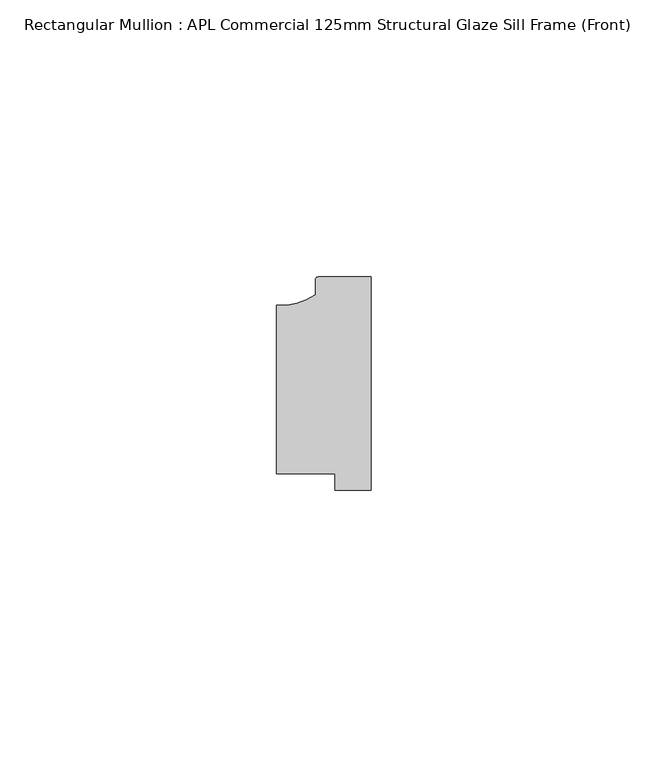
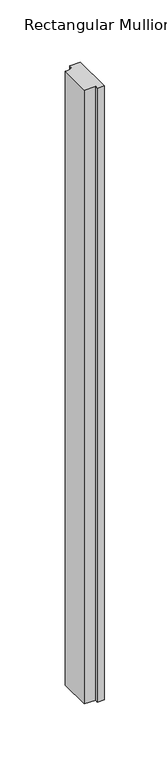
"""IFC4 building model written with IfcOpenShell, lengths in millimetres: member geometry, Rectangular Mullion : APL Commercial 125mm Structural Glaze Sill Frame (Front)."""

import ifcopenshell
import ifcopenshell.guid

model = None  # the IFC model being written
_history = None  # IfcOwnerHistory: only IFC2X3 demands one
_inside = {}  # id of a spatial element -> (the spatial element, [elements in it])
_under = {}  # id of a project, library or spatial element -> (it, [spatial elements below it])
_declared = {}  # id of a project -> (the project, [libraries it declares])
_typed = {}  # id of a type object -> (the type object, [elements of that type])
_made_of = {}  # id of a material, layer set ... -> (it, [elements and type objects made of it])


def new_model(schema):
    """Start an empty IFC model of exactly this schema.

    Asked for "IFC4X3", IfcOpenShell would pick the latest addendum, in which some entities
    have other attributes; the version numbers below select the first issue.
    IFC2X3 requires an IfcOwnerHistory on every rooted entity: one is made here for all.
    """
    global model, _history
    if schema == "IFC4X3":
        model = ifcopenshell.file(schema_version=(4, 3, 0, 0))
    else:
        model = ifcopenshell.file(schema=schema)
    _inside.clear()
    _under.clear()
    _declared.clear()
    _typed.clear()
    _made_of.clear()
    _history = None
    if model.schema == "IFC2X3":
        org = make("IfcOrganization", Name="unknown")
        user = make(
            "IfcPersonAndOrganization",
            ThePerson=make("IfcPerson", FamilyName="unknown"),
            TheOrganization=org,
        )
        app = make(
            "IfcApplication",
            ApplicationDeveloper=org,
            Version="unknown",
            ApplicationFullName="unknown",
            ApplicationIdentifier="unknown",
        )
        _history = make(
            "IfcOwnerHistory",
            OwningUser=user,
            OwningApplication=app,
            ChangeAction="ADDED",
            CreationDate=0,
        )
    return model


def make(cls, **values):
    """One entity of the class cls with the attributes given. An attribute that is None is left unset."""
    return model.create_entity(
        cls, **{name: value for name, value in values.items() if value is not None}
    )


def rooted(cls, **values):
    """An entity with a GlobalId (a new one), such as an element, a storey or a relation."""
    return make(cls, GlobalId=ifcopenshell.guid.new(), OwnerHistory=_history, **values)


def si_unit(unit_type, name, prefix=None):
    """IfcSIUnit, for example si_unit("LENGTHUNIT", "METRE", prefix="MILLI")."""
    return make("IfcSIUnit", UnitType=unit_type, Prefix=prefix, Name=name)


def assignment(units):
    """IfcUnitAssignment: the units of a project."""
    return None if units is None else make("IfcUnitAssignment", Units=units)


def point(xyz):
    """IfcCartesianPoint."""
    return None if xyz is None else make("IfcCartesianPoint", Coordinates=xyz)


def direction(xyz):
    """IfcDirection."""
    return None if xyz is None else make("IfcDirection", DirectionRatios=xyz)


def frame(location, z_axis=None, x_axis=None):
    """IfcAxis2Placement3D, a coordinate frame: its origin and axes. An axis left out is left unset."""
    return make(
        "IfcAxis2Placement3D",
        Location=point(location),
        Axis=direction(z_axis),
        RefDirection=direction(x_axis),
    )


def frame_2d(location, x_axis=None):
    """IfcAxis2Placement2D, a coordinate frame in the plane: its origin and x axis."""
    return make(
        "IfcAxis2Placement2D", Location=point(location), RefDirection=direction(x_axis)
    )


def origin():
    """The frame at (0, 0, 0) with its axes left unset."""
    return frame((0.0, 0.0, 0.0))


def place(relative_to, where):
    """IfcLocalPlacement: puts the frame where relative to a parent placement (None: the world)."""
    return make(
        "IfcLocalPlacement", PlacementRelTo=relative_to, RelativePlacement=where
    )


def context(
    kind, dimensions, precision=None, world=None, true_north=None, identifier=None
):
    """IfcGeometricRepresentationContext, for example the 3D "Model" context."""
    return make(
        "IfcGeometricRepresentationContext",
        ContextIdentifier=identifier,
        ContextType=kind,
        CoordinateSpaceDimension=dimensions,
        Precision=precision,
        WorldCoordinateSystem=world,
        TrueNorth=true_north,
    )


def project(units=None, contexts=None):
    """IfcProject with its units and contexts."""
    return rooted(
        "IfcProject",
        Name="project",
        RepresentationContexts=contexts,
        UnitsInContext=assignment(units),
    )


def spatial(cls, under=None, at=None, **own):
    """A site, building, storey or space (cls), placed at a placement, below another one or the project."""
    s = rooted(cls, ObjectPlacement=at, **own)
    if under is not None:
        _under.setdefault(under.id(), (under, []))[1].append(s)
    return s


def polyline(points):
    """IfcPolyline through the points."""
    return make("IfcPolyline", Points=[point(p) for p in points])


def circle_curve(where, radius):
    """IfcCircle in the frame where."""
    return make("IfcCircle", Position=where, Radius=radius)


def trimmed(basis, trim1, trim2, sense, master):
    """IfcTrimmedCurve: the piece of a basis curve between two trims."""
    return make(
        "IfcTrimmedCurve",
        BasisCurve=basis,
        Trim1=trim1,
        Trim2=trim2,
        SenseAgreement=sense,
        MasterRepresentation=master,
    )


def segment(curve, same_sense, transition):
    """IfcCompositeCurveSegment."""
    return make(
        "IfcCompositeCurveSegment",
        Transition=transition,
        SameSense=same_sense,
        ParentCurve=curve,
    )


def composite_curve(segments, self_intersect=None):
    """IfcCompositeCurve: segments joined end to end."""
    return make("IfcCompositeCurve", Segments=segments, SelfIntersect=self_intersect)


def outline(outer, holes=None, kind="AREA"):
    """IfcArbitraryClosedProfileDef: a profile drawn as a closed curve; with holes, ...WithVoids."""
    if holes is None:
        return make("IfcArbitraryClosedProfileDef", ProfileType=kind, OuterCurve=outer)
    return make(
        "IfcArbitraryProfileDefWithVoids",
        ProfileType=kind,
        OuterCurve=outer,
        InnerCurves=holes,
    )


def extrude(swept, where, along, depth):
    """IfcExtrudedAreaSolid: the profile swept, set in the frame where, extruded along a direction by depth."""
    return make(
        "IfcExtrudedAreaSolid",
        SweptArea=swept,
        Position=where,
        ExtrudedDirection=direction(along),
        Depth=depth,
    )


def shape(context_of_items, identifier, shape_type, items):
    """IfcShapeRepresentation: the items that make up one representation, for example the "Body"."""
    return make(
        "IfcShapeRepresentation",
        ContextOfItems=context_of_items,
        RepresentationIdentifier=identifier,
        RepresentationType=shape_type,
        Items=items,
    )


def source(mapping_origin, context_of_items, identifier, shape_type, items):
    """IfcRepresentationMap: a shape defined once, which mapped items show again and again."""
    return make(
        "IfcRepresentationMap",
        MappingOrigin=mapping_origin,
        MappedRepresentation=shape(context_of_items, identifier, shape_type, items),
    )


def transform(
    local_origin,
    x_axis=None,
    y_axis=None,
    z_axis=None,
    scale=None,
    scale2=None,
    scale3=None,
    uniform=True,
):
    """IfcCartesianTransformationOperator3D, or its non-uniform kind. x_axis, y_axis, z_axis: its Axis1, 2, 3."""
    if uniform:
        return make(
            "IfcCartesianTransformationOperator3D",
            Axis1=direction(x_axis),
            Axis2=direction(y_axis),
            LocalOrigin=point(local_origin),
            Scale=scale,
            Axis3=direction(z_axis),
        )
    return make(
        "IfcCartesianTransformationOperator3DnonUniform",
        Axis1=direction(x_axis),
        Axis2=direction(y_axis),
        LocalOrigin=point(local_origin),
        Scale=scale,
        Axis3=direction(z_axis),
        Scale2=scale2,
        Scale3=scale3,
    )


def mapped(mapping_source, mapping_target):
    """IfcMappedItem: shows the shape of a source again, moved by a transform."""
    return make(
        "IfcMappedItem", MappingSource=mapping_source, MappingTarget=mapping_target
    )


def made_of(thing, what):
    """Note that an element or type object is made of a material, layer set ...; save() writes the relation."""
    if what is not None:
        _made_of.setdefault(what.id(), (what, []))[1].append(thing)
    return thing


def element(
    cls,
    number,
    at=None,
    inside=None,
    cuts=None,
    type_object=None,
    material=None,
    context=None,
    identifier="Body",
    shape_type=None,
    held_by="IfcProductDefinitionShape",
    body=None,
    shapes=None,
    **own,
):
    """One element of the class cls, such as IfcWall. Its Tag is "e" and its number.

    at: its placement. inside: the storey or other place that contains it. cuts: it is an
    opening in that element (IfcRelVoidsElement). A single representation is given by context,
    identifier, shape_type and body (its items); several are given by shapes. held_by: the class
    of the entity that holds the representations. save() writes the other relations.
    """
    e = rooted(cls, Tag="e%d" % number, ObjectPlacement=at, **own)
    if body is not None:
        shapes = [shape(context, identifier, shape_type, body)]
    if shapes is not None:
        e.Representation = make(held_by, Representations=shapes)
    if inside is not None:
        _inside.setdefault(inside.id(), (inside, []))[1].append(e)
    if cuts is not None:
        rooted(
            "IfcRelVoidsElement", RelatingBuildingElement=cuts, RelatedOpeningElement=e
        )
    if type_object is not None:
        _typed.setdefault(type_object.id(), (type_object, []))[1].append(e)
    return made_of(e, material)


def aggregate(whole, parts):
    """IfcRelAggregates: a whole, such as a stair, and the parts it consists of."""
    return rooted("IfcRelAggregates", RelatingObject=whole, RelatedObjects=parts)


def save(model, path):
    """Write the relations noted so far, then the file.

    IfcRelAggregates (storeys below a building ...), IfcRelContainedInSpatialStructure (elements
    in a storey), IfcRelDefinesByType, IfcRelAssociatesMaterial and IfcRelDeclares: one each for
    every whole, place, type object, material and project.
    """
    for whole, parts in _under.values():
        aggregate(whole, parts)
    for where, things in _inside.values():
        rooted(
            "IfcRelContainedInSpatialStructure",
            RelatedElements=things,
            RelatingStructure=where,
        )
    for kind, things in _typed.values():
        rooted("IfcRelDefinesByType", RelatedObjects=things, RelatingType=kind)
    for what, things in _made_of.values():
        rooted("IfcRelAssociatesMaterial", RelatedObjects=things, RelatingMaterial=what)
    for by, libraries in _declared.values():
        rooted("IfcRelDeclares", RelatingContext=by, RelatedDefinitions=libraries)
    model.write(path)


def rectangular_mullion_apl_commercial_125mm_structural_glaze_82c9560d(model_context):
    return source(origin(), model_context, "Body", "SweptSolid", [
        extrude(outline(composite_curve([segment(trimmed(circle_curve(frame_2d((-16.1098048, 25.7977481)), 10.4563907), [point((-16.999942, 15.3793144))], [point((-10.0, 17.3120901))], True, "CARTESIAN"), True, "CONTINUOUS"), segment(polyline([(-10.0, 17.3120901), (-10.0, 19.9980675)]), True, "CONTINUOUS"), segment(trimmed(circle_curve(frame_2d((-9.5000029, 19.99978)), 0.5), [point((-10.0, 19.9980675))], [point((-9.5000029, 20.49978))], False, "CARTESIAN"), True, "CONTINUOUS"), segment(polyline([(-9.5000029, 20.49978), (0.0, 20.49978), (0.0, -18.0281616), (-6.5000029, -18.0281616), (-6.5000029, -15.0004332), (-16.999942, -15.0004332), (-16.999942, 15.3793144)]), True, "CONTINUOUS")], self_intersect=False)), frame((0.0, 0.0, -603.0000609), z_axis=(0.0, 0.0, 1.0), x_axis=(1.0, 0.0, 0.0)), (0.0, 0.0, 1.0), 603.0000609),
    ])


if __name__ == "__main__":
    model = new_model("IFC4")
    model_context = context("Model", 3, world=origin())
    ifc_project = project(units=[si_unit("LENGTHUNIT", "METRE", prefix="MILLI")], contexts=[model_context])
    site = spatial("IfcSite", under=ifc_project)
    building = spatial("IfcBuilding", under=site)
    placement = place(None, origin())
    rectangular_mullion_apl_commercial_125mm_structural_glaze_shape = rectangular_mullion_apl_commercial_125mm_structural_glaze_82c9560d(model_context)
    element("IfcMember", 1, ObjectType="Rectangular Mullion : APL Commercial 125mm Structural Glaze Sill Frame (Front)", at=placement, inside=building, context=model_context, shape_type="MappedRepresentation", body=[
        mapped(rectangular_mullion_apl_commercial_125mm_structural_glaze_shape, transform((0.0, 0.0, 0.0), x_axis=(1.0, 0.0, 0.0), y_axis=(0.0, 1.0, 0.0), z_axis=(0.0, 0.0, 1.0))),
    ])
    save(model, "model.ifc")
